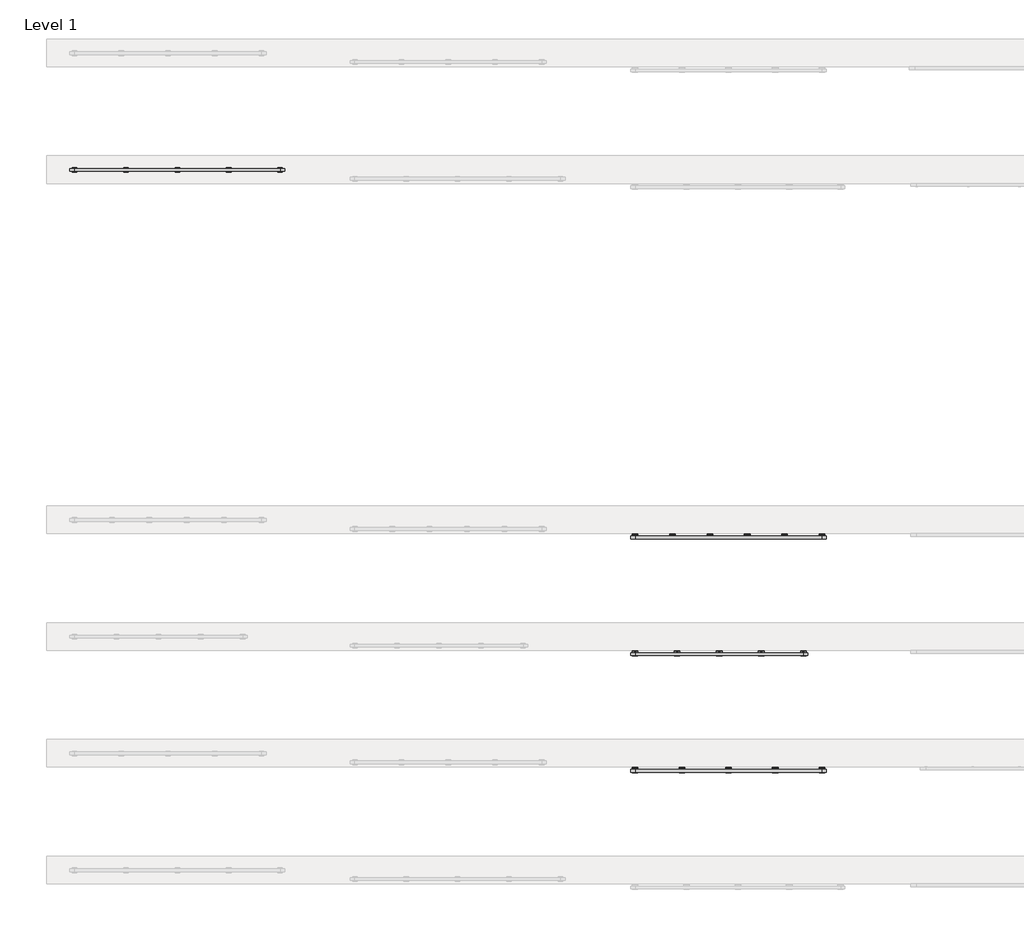
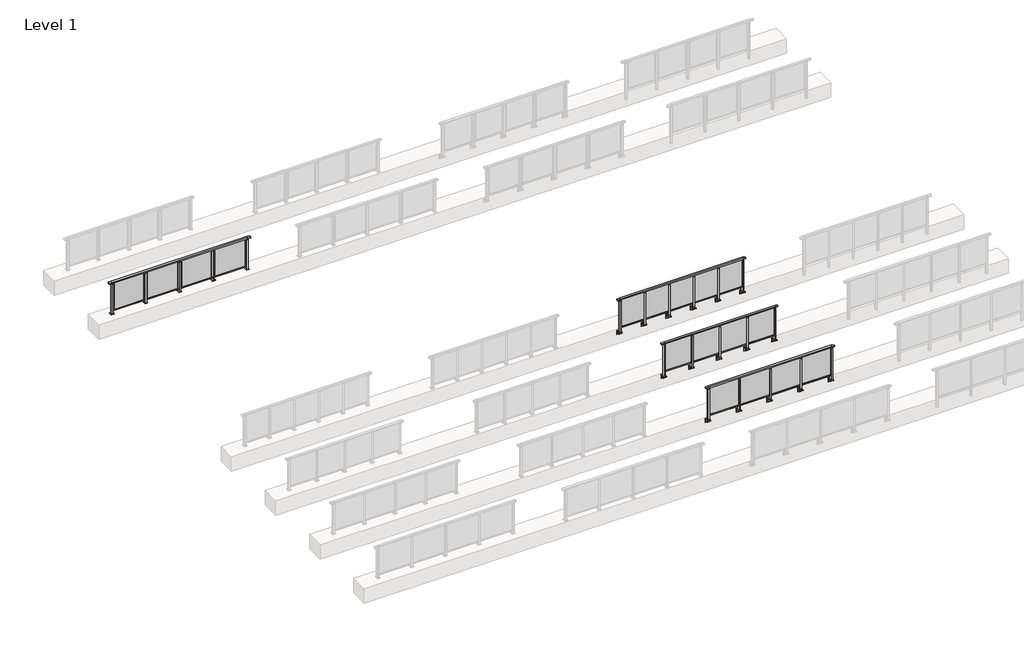
# One storey, part 25 of 37: 4 railings.
"""IFC4 building model written with IfcOpenShell, lengths in millimetres."""

from ifc_helpers import new_model, si_unit, point, frame, frame_2d, origin, origin_with_axes, place, context, project, spatial, polyline, circle_curve, trimmed, segment, composite_curve, outline, extrude, faceted_brep, element, save

model = new_model("IFC4")

# Units and contexts
model_context = context("Model", 3, world=origin())
ifc_project = project(units=[si_unit("LENGTHUNIT", "METRE", prefix="MILLI")], contexts=[model_context])

# Site, building, storey
site = spatial("IfcSite", under=ifc_project)
building = spatial("IfcBuilding", under=site)
storey = spatial("IfcBuildingStorey", under=building, Name="Level 1", Elevation=0.0)

# Railings
placement = place(None, origin())
element("IfcRailing", 1, at=placement, inside=storey, context=model_context, shape_type="SolidModel", body=[
    faceted_brep([(41910.0, 32347.6846828, 1100.0), (41910.0, 32347.6846828, 1055.0), (41910.0, 32287.6846828, 1055.0), (41910.0, 32287.6846828, 1100.0), (42000.0, 32347.6846828, 1100.0), (42000.0, 32347.6846828, 1055.0), (42000.0, 32287.6846828, 1055.0), (42000.0, 32287.6846828, 1100.0), (46000.0, 32347.6846828, 1100.0), (46000.0, 32347.6846828, 1055.0), (46000.0, 32287.6846828, 1055.0), (46000.0, 32287.6846828, 1100.0), (46090.0, 32347.6846828, 1100.0), (46090.0, 32287.6846828, 1100.0), (46090.0, 32287.6846828, 1055.0), (46090.0, 32347.6846828, 1055.0)], [[[0, 1, 2, 3]], [[1, 0, 4, 5]], [[2, 1, 5, 6]], [[3, 2, 6, 7]], [[0, 3, 7, 4]], [[5, 4, 8, 9]], [[6, 5, 9, 10]], [[7, 6, 10, 11]], [[4, 7, 11, 8]], [[12, 13, 14, 15]], [[9, 8, 12, 15]], [[10, 9, 15, 14]], [[11, 10, 14, 13]], [[8, 11, 13, 12]]]),
    extrude(outline(polyline([(42000.0, 32300.1846828), (42000.0, 32335.1846828), (46000.0, 32335.1846828), (46000.0, 32300.1846828), (42000.0, 32300.1846828)])), frame((0.0, 0.0, 95.0), z_axis=(0.0, 0.0, 1.0), x_axis=(1.0, 0.0, 0.0)), (0.0, 0.0, 1.0), 30.0),
    extrude(outline(polyline([(45010.0, 32311.9094929), (45010.0, 32321.9094929), (45990.0, 32321.9094929), (45990.0, 32311.9094929), (45010.0, 32311.9094929)])), frame((0.0, 0.0, 125.0), z_axis=(0.0, 0.0, 1.0), x_axis=(1.0, 0.0, 0.0)), (0.0, 0.0, 1.0), 930.0),
    extrude(outline(composite_curve([segment(polyline([(32350.1846828, -70.0), (32384.1846828, -63.0), (32384.1846828, -32.5), (32400.1846828, -32.5), (32400.1846828, -167.5), (32384.1846828, -167.5), (32384.1846828, -113.5)]), True, "CONTINUOUS"), segment(trimmed(circle_curve(frame_2d((32364.1846828, -113.5)), 20.0), [point((32384.1846828, -113.5))], [point((32364.1846828, -93.5))], True, "CARTESIAN"), True, "CONTINUOUS"), segment(polyline([(32364.1846828, -93.5), (32280.1846828, -93.5), (32280.1846828, -70.0), (32350.1846828, -70.0)]), True, "CONTINUOUS")], self_intersect=False)), frame((44940.0, 0.0, 0.0), z_axis=(1.0, 0.0, 0.0), x_axis=(0.0, 1.0, 0.0)), (0.0, 0.0, 1.0), 120.0),
    extrude(outline(polyline([(45022.5, 32350.1846828), (45022.5, 32285.1846828), (44977.5, 32285.1846828), (44977.5, 32350.1846828), (45022.5, 32350.1846828)])), frame((0.0, 0.0, -70.0), z_axis=(0.0, 0.0, 1.0), x_axis=(1.0, 0.0, 0.0)), (0.0, 0.0, 1.0), 1097.0),
    extrude(outline(polyline([(45010.0, 32327.6846828), (45010.0, 32307.6846828), (44990.0, 32307.6846828), (44990.0, 32327.6846828), (45010.0, 32327.6846828)])), frame((0.0, 0.0, 1035.0), z_axis=(0.0, 0.0, 1.0), x_axis=(1.0, 0.0, 0.0)), (0.0, 0.0, 1.0), 20.0),
    extrude(outline(polyline([(45022.5, 32350.1846828), (45022.5, 32285.1846828), (44977.5, 32285.1846828), (44977.5, 32350.1846828), (45022.5, 32350.1846828)])), frame((0.0, 0.0, 1027.0), z_axis=(0.0, 0.0, 1.0), x_axis=(1.0, 0.0, 0.0)), (0.0, 0.0, 1.0), 8.0),
    extrude(outline(polyline([(44010.0, 32311.9094929), (44010.0, 32321.9094929), (44990.0, 32321.9094929), (44990.0, 32311.9094929), (44010.0, 32311.9094929)])), frame((0.0, 0.0, 125.0), z_axis=(0.0, 0.0, 1.0), x_axis=(1.0, 0.0, 0.0)), (0.0, 0.0, 1.0), 930.0),
    extrude(outline(composite_curve([segment(polyline([(32350.1846828, -70.0), (32384.1846828, -63.0), (32384.1846828, -32.5), (32400.1846828, -32.5), (32400.1846828, -167.5), (32384.1846828, -167.5), (32384.1846828, -113.5)]), True, "CONTINUOUS"), segment(trimmed(circle_curve(frame_2d((32364.1846828, -113.5)), 20.0), [point((32384.1846828, -113.5))], [point((32364.1846828, -93.5))], True, "CARTESIAN"), True, "CONTINUOUS"), segment(polyline([(32364.1846828, -93.5), (32280.1846828, -93.5), (32280.1846828, -70.0), (32350.1846828, -70.0)]), True, "CONTINUOUS")], self_intersect=False)), frame((43940.0, 0.0, 0.0), z_axis=(1.0, 0.0, 0.0), x_axis=(0.0, 1.0, 0.0)), (0.0, 0.0, 1.0), 120.0),
    extrude(outline(polyline([(44022.5, 32350.1846828), (44022.5, 32285.1846828), (43977.5, 32285.1846828), (43977.5, 32350.1846828), (44022.5, 32350.1846828)])), frame((0.0, 0.0, -70.0), z_axis=(0.0, 0.0, 1.0), x_axis=(1.0, 0.0, 0.0)), (0.0, 0.0, 1.0), 1097.0),
    extrude(outline(polyline([(44010.0, 32327.6846828), (44010.0, 32307.6846828), (43990.0, 32307.6846828), (43990.0, 32327.6846828), (44010.0, 32327.6846828)])), frame((0.0, 0.0, 1035.0), z_axis=(0.0, 0.0, 1.0), x_axis=(1.0, 0.0, 0.0)), (0.0, 0.0, 1.0), 20.0),
    extrude(outline(polyline([(44022.5, 32350.1846828), (44022.5, 32285.1846828), (43977.5, 32285.1846828), (43977.5, 32350.1846828), (44022.5, 32350.1846828)])), frame((0.0, 0.0, 1027.0), z_axis=(0.0, 0.0, 1.0), x_axis=(1.0, 0.0, 0.0)), (0.0, 0.0, 1.0), 8.0),
    extrude(outline(polyline([(43010.0, 32311.9094929), (43010.0, 32321.9094929), (43990.0, 32321.9094929), (43990.0, 32311.9094929), (43010.0, 32311.9094929)])), frame((0.0, 0.0, 125.0), z_axis=(0.0, 0.0, 1.0), x_axis=(1.0, 0.0, 0.0)), (0.0, 0.0, 1.0), 930.0),
    extrude(outline(composite_curve([segment(polyline([(32350.1846828, -70.0), (32384.1846828, -63.0), (32384.1846828, -32.5), (32400.1846828, -32.5), (32400.1846828, -167.5), (32384.1846828, -167.5), (32384.1846828, -113.5)]), True, "CONTINUOUS"), segment(trimmed(circle_curve(frame_2d((32364.1846828, -113.5)), 20.0), [point((32384.1846828, -113.5))], [point((32364.1846828, -93.5))], True, "CARTESIAN"), True, "CONTINUOUS"), segment(polyline([(32364.1846828, -93.5), (32280.1846828, -93.5), (32280.1846828, -70.0), (32350.1846828, -70.0)]), True, "CONTINUOUS")], self_intersect=False)), frame((42940.0, 0.0, 0.0), z_axis=(1.0, 0.0, 0.0), x_axis=(0.0, 1.0, 0.0)), (0.0, 0.0, 1.0), 120.0),
    extrude(outline(polyline([(43022.5, 32350.1846828), (43022.5, 32285.1846828), (42977.5, 32285.1846828), (42977.5, 32350.1846828), (43022.5, 32350.1846828)])), frame((0.0, 0.0, -70.0), z_axis=(0.0, 0.0, 1.0), x_axis=(1.0, 0.0, 0.0)), (0.0, 0.0, 1.0), 1097.0),
    extrude(outline(polyline([(43010.0, 32327.6846828), (43010.0, 32307.6846828), (42990.0, 32307.6846828), (42990.0, 32327.6846828), (43010.0, 32327.6846828)])), frame((0.0, 0.0, 1035.0), z_axis=(0.0, 0.0, 1.0), x_axis=(1.0, 0.0, 0.0)), (0.0, 0.0, 1.0), 20.0),
    extrude(outline(polyline([(43022.5, 32350.1846828), (43022.5, 32285.1846828), (42977.5, 32285.1846828), (42977.5, 32350.1846828), (43022.5, 32350.1846828)])), frame((0.0, 0.0, 1027.0), z_axis=(0.0, 0.0, 1.0), x_axis=(1.0, 0.0, 0.0)), (0.0, 0.0, 1.0), 8.0),
    extrude(outline(polyline([(42010.0, 32311.9094929), (42010.0, 32321.9094929), (42990.0, 32321.9094929), (42990.0, 32311.9094929), (42010.0, 32311.9094929)])), frame((0.0, 0.0, 125.0), z_axis=(0.0, 0.0, 1.0), x_axis=(1.0, 0.0, 0.0)), (0.0, 0.0, 1.0), 930.0),
    extrude(outline(composite_curve([segment(polyline([(32350.1846828, -70.0), (32384.1846828, -63.0), (32384.1846828, -32.5), (32400.1846828, -32.5), (32400.1846828, -167.5), (32384.1846828, -167.5), (32384.1846828, -113.5)]), True, "CONTINUOUS"), segment(trimmed(circle_curve(frame_2d((32364.1846828, -113.5)), 20.0), [point((32384.1846828, -113.5))], [point((32364.1846828, -93.5))], True, "CARTESIAN"), True, "CONTINUOUS"), segment(polyline([(32364.1846828, -93.5), (32280.1846828, -93.5), (32280.1846828, -70.0), (32350.1846828, -70.0)]), True, "CONTINUOUS")], self_intersect=False)), frame((45940.0, 0.0, 0.0), z_axis=(1.0, 0.0, 0.0), x_axis=(0.0, 1.0, 0.0)), (0.0, 0.0, 1.0), 120.0),
    extrude(outline(polyline([(46022.5, 32350.1846828), (46022.5, 32285.1846828), (45977.5, 32285.1846828), (45977.5, 32350.1846828), (46022.5, 32350.1846828)])), frame((0.0, 0.0, -70.0), z_axis=(0.0, 0.0, 1.0), x_axis=(1.0, 0.0, 0.0)), (0.0, 0.0, 1.0), 1097.0),
    extrude(outline(polyline([(46010.0, 32327.6846828), (46010.0, 32307.6846828), (45990.0, 32307.6846828), (45990.0, 32327.6846828), (46010.0, 32327.6846828)])), frame((0.0, 0.0, 1035.0), z_axis=(0.0, 0.0, 1.0), x_axis=(1.0, 0.0, 0.0)), (0.0, 0.0, 1.0), 20.0),
    extrude(outline(polyline([(46022.5, 32350.1846828), (46022.5, 32285.1846828), (45977.5, 32285.1846828), (45977.5, 32350.1846828), (46022.5, 32350.1846828)])), frame((0.0, 0.0, 1027.0), z_axis=(0.0, 0.0, 1.0), x_axis=(1.0, 0.0, 0.0)), (0.0, 0.0, 1.0), 8.0),
    extrude(outline(composite_curve([segment(polyline([(32350.1846828, -70.0), (32384.1846828, -63.0), (32384.1846828, -32.5), (32400.1846828, -32.5), (32400.1846828, -167.5), (32384.1846828, -167.5), (32384.1846828, -113.5)]), True, "CONTINUOUS"), segment(trimmed(circle_curve(frame_2d((32364.1846828, -113.5)), 20.0), [point((32384.1846828, -113.5))], [point((32364.1846828, -93.5))], True, "CARTESIAN"), True, "CONTINUOUS"), segment(polyline([(32364.1846828, -93.5), (32280.1846828, -93.5), (32280.1846828, -70.0), (32350.1846828, -70.0)]), True, "CONTINUOUS")], self_intersect=False)), frame((41940.0, 0.0, 0.0), z_axis=(1.0, 0.0, 0.0), x_axis=(0.0, 1.0, 0.0)), (0.0, 0.0, 1.0), 120.0),
    extrude(outline(polyline([(42022.5, 32350.1846828), (42022.5, 32285.1846828), (41977.5, 32285.1846828), (41977.5, 32350.1846828), (42022.5, 32350.1846828)])), frame((0.0, 0.0, -70.0), z_axis=(0.0, 0.0, 1.0), x_axis=(1.0, 0.0, 0.0)), (0.0, 0.0, 1.0), 1097.0),
    extrude(outline(polyline([(42010.0, 32327.6846828), (42010.0, 32307.6846828), (41990.0, 32307.6846828), (41990.0, 32327.6846828), (42010.0, 32327.6846828)])), frame((0.0, 0.0, 1035.0), z_axis=(0.0, 0.0, 1.0), x_axis=(1.0, 0.0, 0.0)), (0.0, 0.0, 1.0), 20.0),
    extrude(outline(polyline([(42022.5, 32350.1846828), (42022.5, 32285.1846828), (41977.5, 32285.1846828), (41977.5, 32350.1846828), (42022.5, 32350.1846828)])), frame((0.0, 0.0, 1027.0), z_axis=(0.0, 0.0, 1.0), x_axis=(1.0, 0.0, 0.0)), (0.0, 0.0, 1.0), 8.0),
])
element("IfcRailing", 2, at=placement, inside=storey, context=model_context, shape_type="SolidModel", body=[
    faceted_brep([(41910.0, 34847.6846828, 1100.0), (41910.0, 34847.6846828, 1055.0), (41910.0, 34787.6846828, 1055.0), (41910.0, 34787.6846828, 1100.0), (42000.0, 34847.6846828, 1100.0), (42000.0, 34847.6846828, 1055.0), (42000.0, 34787.6846828, 1055.0), (42000.0, 34787.6846828, 1100.0), (45600.0, 34847.6846828, 1100.0), (45600.0, 34847.6846828, 1055.0), (45600.0, 34787.6846828, 1055.0), (45600.0, 34787.6846828, 1100.0), (45690.0, 34847.6846828, 1100.0), (45690.0, 34787.6846828, 1100.0), (45690.0, 34787.6846828, 1055.0), (45690.0, 34847.6846828, 1055.0)], [[[0, 1, 2, 3]], [[1, 0, 4, 5]], [[2, 1, 5, 6]], [[3, 2, 6, 7]], [[0, 3, 7, 4]], [[5, 4, 8, 9]], [[6, 5, 9, 10]], [[7, 6, 10, 11]], [[4, 7, 11, 8]], [[12, 13, 14, 15]], [[9, 8, 12, 15]], [[10, 9, 15, 14]], [[11, 10, 14, 13]], [[8, 11, 13, 12]]]),
    extrude(outline(polyline([(42000.0, 34800.1846828), (42000.0, 34835.1846828), (45600.0, 34835.1846828), (45600.0, 34800.1846828), (42000.0, 34800.1846828)])), frame((0.0, 0.0, 95.0), z_axis=(0.0, 0.0, 1.0), x_axis=(1.0, 0.0, 0.0)), (0.0, 0.0, 1.0), 30.0),
    extrude(outline(polyline([(44710.0, 34811.9094929), (44710.0, 34821.9094929), (45590.0, 34821.9094929), (45590.0, 34811.9094929), (44710.0, 34811.9094929)])), frame((0.0, 0.0, 125.0), z_axis=(0.0, 0.0, 1.0), x_axis=(1.0, 0.0, 0.0)), (0.0, 0.0, 1.0), 930.0),
    extrude(outline(composite_curve([segment(polyline([(34850.1846828, -70.0), (34884.1846828, -63.0), (34884.1846828, -32.5), (34900.1846828, -32.5), (34900.1846828, -167.5), (34884.1846828, -167.5), (34884.1846828, -113.5)]), True, "CONTINUOUS"), segment(trimmed(circle_curve(frame_2d((34864.1846828, -113.5)), 20.0), [point((34884.1846828, -113.5))], [point((34864.1846828, -93.5))], True, "CARTESIAN"), True, "CONTINUOUS"), segment(polyline([(34864.1846828, -93.5), (34780.1846828, -93.5), (34780.1846828, -70.0), (34850.1846828, -70.0)]), True, "CONTINUOUS")], self_intersect=False)), frame((44640.0, 0.0, 0.0), z_axis=(1.0, 0.0, 0.0), x_axis=(0.0, 1.0, 0.0)), (0.0, 0.0, 1.0), 120.0),
    extrude(outline(polyline([(44722.5, 34850.1846828), (44722.5, 34785.1846828), (44677.5, 34785.1846828), (44677.5, 34850.1846828), (44722.5, 34850.1846828)])), frame((0.0, 0.0, -70.0), z_axis=(0.0, 0.0, 1.0), x_axis=(1.0, 0.0, 0.0)), (0.0, 0.0, 1.0), 1097.0),
    extrude(outline(polyline([(44710.0, 34827.6846828), (44710.0, 34807.6846828), (44690.0, 34807.6846828), (44690.0, 34827.6846828), (44710.0, 34827.6846828)])), frame((0.0, 0.0, 1035.0), z_axis=(0.0, 0.0, 1.0), x_axis=(1.0, 0.0, 0.0)), (0.0, 0.0, 1.0), 20.0),
    extrude(outline(polyline([(44722.5, 34850.1846828), (44722.5, 34785.1846828), (44677.5, 34785.1846828), (44677.5, 34850.1846828), (44722.5, 34850.1846828)])), frame((0.0, 0.0, 1027.0), z_axis=(0.0, 0.0, 1.0), x_axis=(1.0, 0.0, 0.0)), (0.0, 0.0, 1.0), 8.0),
    extrude(outline(polyline([(43810.0, 34811.9094929), (43810.0, 34821.9094929), (44690.0, 34821.9094929), (44690.0, 34811.9094929), (43810.0, 34811.9094929)])), frame((0.0, 0.0, 125.0), z_axis=(0.0, 0.0, 1.0), x_axis=(1.0, 0.0, 0.0)), (0.0, 0.0, 1.0), 930.0),
    extrude(outline(composite_curve([segment(polyline([(34850.1846828, -70.0), (34884.1846828, -63.0), (34884.1846828, -32.5), (34900.1846828, -32.5), (34900.1846828, -167.5), (34884.1846828, -167.5), (34884.1846828, -113.5)]), True, "CONTINUOUS"), segment(trimmed(circle_curve(frame_2d((34864.1846828, -113.5)), 20.0), [point((34884.1846828, -113.5))], [point((34864.1846828, -93.5))], True, "CARTESIAN"), True, "CONTINUOUS"), segment(polyline([(34864.1846828, -93.5), (34780.1846828, -93.5), (34780.1846828, -70.0), (34850.1846828, -70.0)]), True, "CONTINUOUS")], self_intersect=False)), frame((43740.0, 0.0, 0.0), z_axis=(1.0, 0.0, 0.0), x_axis=(0.0, 1.0, 0.0)), (0.0, 0.0, 1.0), 120.0),
    extrude(outline(polyline([(43822.5, 34850.1846828), (43822.5, 34785.1846828), (43777.5, 34785.1846828), (43777.5, 34850.1846828), (43822.5, 34850.1846828)])), frame((0.0, 0.0, -70.0), z_axis=(0.0, 0.0, 1.0), x_axis=(1.0, 0.0, 0.0)), (0.0, 0.0, 1.0), 1097.0),
    extrude(outline(polyline([(43810.0, 34827.6846828), (43810.0, 34807.6846828), (43790.0, 34807.6846828), (43790.0, 34827.6846828), (43810.0, 34827.6846828)])), frame((0.0, 0.0, 1035.0), z_axis=(0.0, 0.0, 1.0), x_axis=(1.0, 0.0, 0.0)), (0.0, 0.0, 1.0), 20.0),
    extrude(outline(polyline([(43822.5, 34850.1846828), (43822.5, 34785.1846828), (43777.5, 34785.1846828), (43777.5, 34850.1846828), (43822.5, 34850.1846828)])), frame((0.0, 0.0, 1027.0), z_axis=(0.0, 0.0, 1.0), x_axis=(1.0, 0.0, 0.0)), (0.0, 0.0, 1.0), 8.0),
    extrude(outline(polyline([(42910.0, 34811.9094929), (42910.0, 34821.9094929), (43790.0, 34821.9094929), (43790.0, 34811.9094929), (42910.0, 34811.9094929)])), frame((0.0, 0.0, 125.0), z_axis=(0.0, 0.0, 1.0), x_axis=(1.0, 0.0, 0.0)), (0.0, 0.0, 1.0), 930.0),
    extrude(outline(composite_curve([segment(polyline([(34850.1846828, -70.0), (34884.1846828, -63.0), (34884.1846828, -32.5), (34900.1846828, -32.5), (34900.1846828, -167.5), (34884.1846828, -167.5), (34884.1846828, -113.5)]), True, "CONTINUOUS"), segment(trimmed(circle_curve(frame_2d((34864.1846828, -113.5)), 20.0), [point((34884.1846828, -113.5))], [point((34864.1846828, -93.5))], True, "CARTESIAN"), True, "CONTINUOUS"), segment(polyline([(34864.1846828, -93.5), (34780.1846828, -93.5), (34780.1846828, -70.0), (34850.1846828, -70.0)]), True, "CONTINUOUS")], self_intersect=False)), frame((42840.0, 0.0, 0.0), z_axis=(1.0, 0.0, 0.0), x_axis=(0.0, 1.0, 0.0)), (0.0, 0.0, 1.0), 120.0),
    extrude(outline(polyline([(42922.5, 34850.1846828), (42922.5, 34785.1846828), (42877.5, 34785.1846828), (42877.5, 34850.1846828), (42922.5, 34850.1846828)])), frame((0.0, 0.0, -70.0), z_axis=(0.0, 0.0, 1.0), x_axis=(1.0, 0.0, 0.0)), (0.0, 0.0, 1.0), 1097.0),
    extrude(outline(polyline([(42910.0, 34827.6846828), (42910.0, 34807.6846828), (42890.0, 34807.6846828), (42890.0, 34827.6846828), (42910.0, 34827.6846828)])), frame((0.0, 0.0, 1035.0), z_axis=(0.0, 0.0, 1.0), x_axis=(1.0, 0.0, 0.0)), (0.0, 0.0, 1.0), 20.0),
    extrude(outline(polyline([(42922.5, 34850.1846828), (42922.5, 34785.1846828), (42877.5, 34785.1846828), (42877.5, 34850.1846828), (42922.5, 34850.1846828)])), frame((0.0, 0.0, 1027.0), z_axis=(0.0, 0.0, 1.0), x_axis=(1.0, 0.0, 0.0)), (0.0, 0.0, 1.0), 8.0),
    extrude(outline(polyline([(42010.0, 34811.9094929), (42010.0, 34821.9094929), (42890.0, 34821.9094929), (42890.0, 34811.9094929), (42010.0, 34811.9094929)])), frame((0.0, 0.0, 125.0), z_axis=(0.0, 0.0, 1.0), x_axis=(1.0, 0.0, 0.0)), (0.0, 0.0, 1.0), 930.0),
    extrude(outline(composite_curve([segment(polyline([(34850.1846828, -70.0), (34884.1846828, -63.0), (34884.1846828, -32.5), (34900.1846828, -32.5), (34900.1846828, -167.5), (34884.1846828, -167.5), (34884.1846828, -113.5)]), True, "CONTINUOUS"), segment(trimmed(circle_curve(frame_2d((34864.1846828, -113.5)), 20.0), [point((34884.1846828, -113.5))], [point((34864.1846828, -93.5))], True, "CARTESIAN"), True, "CONTINUOUS"), segment(polyline([(34864.1846828, -93.5), (34780.1846828, -93.5), (34780.1846828, -70.0), (34850.1846828, -70.0)]), True, "CONTINUOUS")], self_intersect=False)), frame((45540.0, 0.0, 0.0), z_axis=(1.0, 0.0, 0.0), x_axis=(0.0, 1.0, 0.0)), (0.0, 0.0, 1.0), 120.0),
    extrude(outline(polyline([(45622.5, 34850.1846828), (45622.5, 34785.1846828), (45577.5, 34785.1846828), (45577.5, 34850.1846828), (45622.5, 34850.1846828)])), frame((0.0, 0.0, -70.0), z_axis=(0.0, 0.0, 1.0), x_axis=(1.0, 0.0, 0.0)), (0.0, 0.0, 1.0), 1097.0),
    extrude(outline(polyline([(45610.0, 34827.6846828), (45610.0, 34807.6846828), (45590.0, 34807.6846828), (45590.0, 34827.6846828), (45610.0, 34827.6846828)])), frame((0.0, 0.0, 1035.0), z_axis=(0.0, 0.0, 1.0), x_axis=(1.0, 0.0, 0.0)), (0.0, 0.0, 1.0), 20.0),
    extrude(outline(polyline([(45622.5, 34850.1846828), (45622.5, 34785.1846828), (45577.5, 34785.1846828), (45577.5, 34850.1846828), (45622.5, 34850.1846828)])), frame((0.0, 0.0, 1027.0), z_axis=(0.0, 0.0, 1.0), x_axis=(1.0, 0.0, 0.0)), (0.0, 0.0, 1.0), 8.0),
    extrude(outline(composite_curve([segment(polyline([(34850.1846828, -70.0), (34884.1846828, -63.0), (34884.1846828, -32.5), (34900.1846828, -32.5), (34900.1846828, -167.5), (34884.1846828, -167.5), (34884.1846828, -113.5)]), True, "CONTINUOUS"), segment(trimmed(circle_curve(frame_2d((34864.1846828, -113.5)), 20.0), [point((34884.1846828, -113.5))], [point((34864.1846828, -93.5))], True, "CARTESIAN"), True, "CONTINUOUS"), segment(polyline([(34864.1846828, -93.5), (34780.1846828, -93.5), (34780.1846828, -70.0), (34850.1846828, -70.0)]), True, "CONTINUOUS")], self_intersect=False)), frame((41940.0, 0.0, 0.0), z_axis=(1.0, 0.0, 0.0), x_axis=(0.0, 1.0, 0.0)), (0.0, 0.0, 1.0), 120.0),
    extrude(outline(polyline([(42022.5, 34850.1846828), (42022.5, 34785.1846828), (41977.5, 34785.1846828), (41977.5, 34850.1846828), (42022.5, 34850.1846828)])), frame((0.0, 0.0, -70.0), z_axis=(0.0, 0.0, 1.0), x_axis=(1.0, 0.0, 0.0)), (0.0, 0.0, 1.0), 1097.0),
    extrude(outline(polyline([(42010.0, 34827.6846828), (42010.0, 34807.6846828), (41990.0, 34807.6846828), (41990.0, 34827.6846828), (42010.0, 34827.6846828)])), frame((0.0, 0.0, 1035.0), z_axis=(0.0, 0.0, 1.0), x_axis=(1.0, 0.0, 0.0)), (0.0, 0.0, 1.0), 20.0),
    extrude(outline(polyline([(42022.5, 34850.1846828), (42022.5, 34785.1846828), (41977.5, 34785.1846828), (41977.5, 34850.1846828), (42022.5, 34850.1846828)])), frame((0.0, 0.0, 1027.0), z_axis=(0.0, 0.0, 1.0), x_axis=(1.0, 0.0, 0.0)), (0.0, 0.0, 1.0), 8.0),
])
element("IfcRailing", 3, at=placement, inside=storey, context=model_context, shape_type="SolidModel", body=[
    faceted_brep([(41910.0, 37347.6846828, 1100.0), (41910.0, 37347.6846828, 1055.0), (41910.0, 37287.6846828, 1055.0), (41910.0, 37287.6846828, 1100.0), (42000.0, 37347.6846828, 1100.0), (42000.0, 37347.6846828, 1055.0), (42000.0, 37287.6846828, 1055.0), (42000.0, 37287.6846828, 1100.0), (46000.0, 37347.6846828, 1100.0), (46000.0, 37347.6846828, 1055.0), (46000.0, 37287.6846828, 1055.0), (46000.0, 37287.6846828, 1100.0), (46090.0, 37347.6846828, 1100.0), (46090.0, 37287.6846828, 1100.0), (46090.0, 37287.6846828, 1055.0), (46090.0, 37347.6846828, 1055.0)], [[[0, 1, 2, 3]], [[1, 0, 4, 5]], [[2, 1, 5, 6]], [[3, 2, 6, 7]], [[0, 3, 7, 4]], [[5, 4, 8, 9]], [[6, 5, 9, 10]], [[7, 6, 10, 11]], [[4, 7, 11, 8]], [[12, 13, 14, 15]], [[9, 8, 12, 15]], [[10, 9, 15, 14]], [[11, 10, 14, 13]], [[8, 11, 13, 12]]]),
    extrude(outline(polyline([(42000.0, 37300.1846828), (42000.0, 37335.1846828), (46000.0, 37335.1846828), (46000.0, 37300.1846828), (42000.0, 37300.1846828)])), frame((0.0, 0.0, 95.0), z_axis=(0.0, 0.0, 1.0), x_axis=(1.0, 0.0, 0.0)), (0.0, 0.0, 1.0), 30.0),
    extrude(outline(polyline([(45210.0, 37311.9094929), (45210.0, 37321.9094929), (45990.0, 37321.9094929), (45990.0, 37311.9094929), (45210.0, 37311.9094929)])), frame((0.0, 0.0, 125.0), z_axis=(0.0, 0.0, 1.0), x_axis=(1.0, 0.0, 0.0)), (0.0, 0.0, 1.0), 930.0),
    extrude(outline(composite_curve([segment(polyline([(37350.1846828, -70.0), (37384.1846828, -63.0), (37384.1846828, -32.5), (37400.1846828, -32.5), (37400.1846828, -167.5), (37384.1846828, -167.5), (37384.1846828, -113.5)]), True, "CONTINUOUS"), segment(trimmed(circle_curve(frame_2d((37364.1846828, -113.5)), 20.0), [point((37384.1846828, -113.5))], [point((37364.1846828, -93.5))], True, "CARTESIAN"), True, "CONTINUOUS"), segment(polyline([(37364.1846828, -93.5), (37280.1846828, -93.5), (37280.1846828, -70.0), (37350.1846828, -70.0)]), True, "CONTINUOUS")], self_intersect=False)), frame((45140.0, 0.0, 0.0), z_axis=(1.0, 0.0, 0.0), x_axis=(0.0, 1.0, 0.0)), (0.0, 0.0, 1.0), 120.0),
    extrude(outline(polyline([(45222.5, 37350.1846828), (45222.5, 37285.1846828), (45177.5, 37285.1846828), (45177.5, 37350.1846828), (45222.5, 37350.1846828)])), frame((0.0, 0.0, -70.0), z_axis=(0.0, 0.0, 1.0), x_axis=(1.0, 0.0, 0.0)), (0.0, 0.0, 1.0), 1097.0),
    extrude(outline(polyline([(45210.0, 37327.6846828), (45210.0, 37307.6846828), (45190.0, 37307.6846828), (45190.0, 37327.6846828), (45210.0, 37327.6846828)])), frame((0.0, 0.0, 1035.0), z_axis=(0.0, 0.0, 1.0), x_axis=(1.0, 0.0, 0.0)), (0.0, 0.0, 1.0), 20.0),
    extrude(outline(polyline([(45222.5, 37350.1846828), (45222.5, 37285.1846828), (45177.5, 37285.1846828), (45177.5, 37350.1846828), (45222.5, 37350.1846828)])), frame((0.0, 0.0, 1027.0), z_axis=(0.0, 0.0, 1.0), x_axis=(1.0, 0.0, 0.0)), (0.0, 0.0, 1.0), 8.0),
    extrude(outline(polyline([(44410.0, 37311.9094929), (44410.0, 37321.9094929), (45190.0, 37321.9094929), (45190.0, 37311.9094929), (44410.0, 37311.9094929)])), frame((0.0, 0.0, 125.0), z_axis=(0.0, 0.0, 1.0), x_axis=(1.0, 0.0, 0.0)), (0.0, 0.0, 1.0), 930.0),
    extrude(outline(composite_curve([segment(polyline([(37350.1846828, -70.0), (37384.1846828, -63.0), (37384.1846828, -32.5), (37400.1846828, -32.5), (37400.1846828, -167.5), (37384.1846828, -167.5), (37384.1846828, -113.5)]), True, "CONTINUOUS"), segment(trimmed(circle_curve(frame_2d((37364.1846828, -113.5)), 20.0), [point((37384.1846828, -113.5))], [point((37364.1846828, -93.5))], True, "CARTESIAN"), True, "CONTINUOUS"), segment(polyline([(37364.1846828, -93.5), (37280.1846828, -93.5), (37280.1846828, -70.0), (37350.1846828, -70.0)]), True, "CONTINUOUS")], self_intersect=False)), frame((44340.0, 0.0, 0.0), z_axis=(1.0, 0.0, 0.0), x_axis=(0.0, 1.0, 0.0)), (0.0, 0.0, 1.0), 120.0),
    extrude(outline(polyline([(44422.5, 37350.1846828), (44422.5, 37285.1846828), (44377.5, 37285.1846828), (44377.5, 37350.1846828), (44422.5, 37350.1846828)])), frame((0.0, 0.0, -70.0), z_axis=(0.0, 0.0, 1.0), x_axis=(1.0, 0.0, 0.0)), (0.0, 0.0, 1.0), 1097.0),
    extrude(outline(polyline([(44410.0, 37327.6846828), (44410.0, 37307.6846828), (44390.0, 37307.6846828), (44390.0, 37327.6846828), (44410.0, 37327.6846828)])), frame((0.0, 0.0, 1035.0), z_axis=(0.0, 0.0, 1.0), x_axis=(1.0, 0.0, 0.0)), (0.0, 0.0, 1.0), 20.0),
    extrude(outline(polyline([(44422.5, 37350.1846828), (44422.5, 37285.1846828), (44377.5, 37285.1846828), (44377.5, 37350.1846828), (44422.5, 37350.1846828)])), frame((0.0, 0.0, 1027.0), z_axis=(0.0, 0.0, 1.0), x_axis=(1.0, 0.0, 0.0)), (0.0, 0.0, 1.0), 8.0),
    extrude(outline(polyline([(43610.0, 37311.9094929), (43610.0, 37321.9094929), (44390.0, 37321.9094929), (44390.0, 37311.9094929), (43610.0, 37311.9094929)])), frame((0.0, 0.0, 125.0), z_axis=(0.0, 0.0, 1.0), x_axis=(1.0, 0.0, 0.0)), (0.0, 0.0, 1.0), 930.0),
    extrude(outline(composite_curve([segment(polyline([(37350.1846828, -70.0), (37384.1846828, -63.0), (37384.1846828, -32.5), (37400.1846828, -32.5), (37400.1846828, -167.5), (37384.1846828, -167.5), (37384.1846828, -113.5)]), True, "CONTINUOUS"), segment(trimmed(circle_curve(frame_2d((37364.1846828, -113.5)), 20.0), [point((37384.1846828, -113.5))], [point((37364.1846828, -93.5))], True, "CARTESIAN"), True, "CONTINUOUS"), segment(polyline([(37364.1846828, -93.5), (37280.1846828, -93.5), (37280.1846828, -70.0), (37350.1846828, -70.0)]), True, "CONTINUOUS")], self_intersect=False)), frame((43540.0, 0.0, 0.0), z_axis=(1.0, 0.0, 0.0), x_axis=(0.0, 1.0, 0.0)), (0.0, 0.0, 1.0), 120.0),
    extrude(outline(polyline([(43622.5, 37350.1846828), (43622.5, 37285.1846828), (43577.5, 37285.1846828), (43577.5, 37350.1846828), (43622.5, 37350.1846828)])), frame((0.0, 0.0, -70.0), z_axis=(0.0, 0.0, 1.0), x_axis=(1.0, 0.0, 0.0)), (0.0, 0.0, 1.0), 1097.0),
    extrude(outline(polyline([(43610.0, 37327.6846828), (43610.0, 37307.6846828), (43590.0, 37307.6846828), (43590.0, 37327.6846828), (43610.0, 37327.6846828)])), frame((0.0, 0.0, 1035.0), z_axis=(0.0, 0.0, 1.0), x_axis=(1.0, 0.0, 0.0)), (0.0, 0.0, 1.0), 20.0),
    extrude(outline(polyline([(43622.5, 37350.1846828), (43622.5, 37285.1846828), (43577.5, 37285.1846828), (43577.5, 37350.1846828), (43622.5, 37350.1846828)])), frame((0.0, 0.0, 1027.0), z_axis=(0.0, 0.0, 1.0), x_axis=(1.0, 0.0, 0.0)), (0.0, 0.0, 1.0), 8.0),
    extrude(outline(polyline([(42810.0, 37311.9094929), (42810.0, 37321.9094929), (43590.0, 37321.9094929), (43590.0, 37311.9094929), (42810.0, 37311.9094929)])), frame((0.0, 0.0, 125.0), z_axis=(0.0, 0.0, 1.0), x_axis=(1.0, 0.0, 0.0)), (0.0, 0.0, 1.0), 930.0),
    extrude(outline(composite_curve([segment(polyline([(37350.1846828, -70.0), (37384.1846828, -63.0), (37384.1846828, -32.5), (37400.1846828, -32.5), (37400.1846828, -167.5), (37384.1846828, -167.5), (37384.1846828, -113.5)]), True, "CONTINUOUS"), segment(trimmed(circle_curve(frame_2d((37364.1846828, -113.5)), 20.0), [point((37384.1846828, -113.5))], [point((37364.1846828, -93.5))], True, "CARTESIAN"), True, "CONTINUOUS"), segment(polyline([(37364.1846828, -93.5), (37280.1846828, -93.5), (37280.1846828, -70.0), (37350.1846828, -70.0)]), True, "CONTINUOUS")], self_intersect=False)), frame((42740.0, 0.0, 0.0), z_axis=(1.0, 0.0, 0.0), x_axis=(0.0, 1.0, 0.0)), (0.0, 0.0, 1.0), 120.0),
    extrude(outline(polyline([(42822.5, 37350.1846828), (42822.5, 37285.1846828), (42777.5, 37285.1846828), (42777.5, 37350.1846828), (42822.5, 37350.1846828)])), frame((0.0, 0.0, -70.0), z_axis=(0.0, 0.0, 1.0), x_axis=(1.0, 0.0, 0.0)), (0.0, 0.0, 1.0), 1097.0),
    extrude(outline(polyline([(42810.0, 37327.6846828), (42810.0, 37307.6846828), (42790.0, 37307.6846828), (42790.0, 37327.6846828), (42810.0, 37327.6846828)])), frame((0.0, 0.0, 1035.0), z_axis=(0.0, 0.0, 1.0), x_axis=(1.0, 0.0, 0.0)), (0.0, 0.0, 1.0), 20.0),
    extrude(outline(polyline([(42822.5, 37350.1846828), (42822.5, 37285.1846828), (42777.5, 37285.1846828), (42777.5, 37350.1846828), (42822.5, 37350.1846828)])), frame((0.0, 0.0, 1027.0), z_axis=(0.0, 0.0, 1.0), x_axis=(1.0, 0.0, 0.0)), (0.0, 0.0, 1.0), 8.0),
    extrude(outline(polyline([(42010.0, 37311.9094929), (42010.0, 37321.9094929), (42790.0, 37321.9094929), (42790.0, 37311.9094929), (42010.0, 37311.9094929)])), frame((0.0, 0.0, 125.0), z_axis=(0.0, 0.0, 1.0), x_axis=(1.0, 0.0, 0.0)), (0.0, 0.0, 1.0), 930.0),
    extrude(outline(composite_curve([segment(polyline([(37350.1846828, -70.0), (37384.1846828, -63.0), (37384.1846828, -32.5), (37400.1846828, -32.5), (37400.1846828, -167.5), (37384.1846828, -167.5), (37384.1846828, -113.5)]), True, "CONTINUOUS"), segment(trimmed(circle_curve(frame_2d((37364.1846828, -113.5)), 20.0), [point((37384.1846828, -113.5))], [point((37364.1846828, -93.5))], True, "CARTESIAN"), True, "CONTINUOUS"), segment(polyline([(37364.1846828, -93.5), (37280.1846828, -93.5), (37280.1846828, -70.0), (37350.1846828, -70.0)]), True, "CONTINUOUS")], self_intersect=False)), frame((45940.0, 0.0, 0.0), z_axis=(1.0, 0.0, 0.0), x_axis=(0.0, 1.0, 0.0)), (0.0, 0.0, 1.0), 120.0),
    extrude(outline(polyline([(46022.5, 37350.1846828), (46022.5, 37285.1846828), (45977.5, 37285.1846828), (45977.5, 37350.1846828), (46022.5, 37350.1846828)])), frame((0.0, 0.0, -70.0), z_axis=(0.0, 0.0, 1.0), x_axis=(1.0, 0.0, 0.0)), (0.0, 0.0, 1.0), 1097.0),
    extrude(outline(polyline([(46010.0, 37327.6846828), (46010.0, 37307.6846828), (45990.0, 37307.6846828), (45990.0, 37327.6846828), (46010.0, 37327.6846828)])), frame((0.0, 0.0, 1035.0), z_axis=(0.0, 0.0, 1.0), x_axis=(1.0, 0.0, 0.0)), (0.0, 0.0, 1.0), 20.0),
    extrude(outline(polyline([(46022.5, 37350.1846828), (46022.5, 37285.1846828), (45977.5, 37285.1846828), (45977.5, 37350.1846828), (46022.5, 37350.1846828)])), frame((0.0, 0.0, 1027.0), z_axis=(0.0, 0.0, 1.0), x_axis=(1.0, 0.0, 0.0)), (0.0, 0.0, 1.0), 8.0),
    extrude(outline(composite_curve([segment(polyline([(37350.1846828, -70.0), (37384.1846828, -63.0), (37384.1846828, -32.5), (37400.1846828, -32.5), (37400.1846828, -167.5), (37384.1846828, -167.5), (37384.1846828, -113.5)]), True, "CONTINUOUS"), segment(trimmed(circle_curve(frame_2d((37364.1846828, -113.5)), 20.0), [point((37384.1846828, -113.5))], [point((37364.1846828, -93.5))], True, "CARTESIAN"), True, "CONTINUOUS"), segment(polyline([(37364.1846828, -93.5), (37280.1846828, -93.5), (37280.1846828, -70.0), (37350.1846828, -70.0)]), True, "CONTINUOUS")], self_intersect=False)), frame((41940.0, 0.0, 0.0), z_axis=(1.0, 0.0, 0.0), x_axis=(0.0, 1.0, 0.0)), (0.0, 0.0, 1.0), 120.0),
    extrude(outline(polyline([(42022.5, 37350.1846828), (42022.5, 37285.1846828), (41977.5, 37285.1846828), (41977.5, 37350.1846828), (42022.5, 37350.1846828)])), frame((0.0, 0.0, -70.0), z_axis=(0.0, 0.0, 1.0), x_axis=(1.0, 0.0, 0.0)), (0.0, 0.0, 1.0), 1097.0),
    extrude(outline(polyline([(42010.0, 37327.6846828), (42010.0, 37307.6846828), (41990.0, 37307.6846828), (41990.0, 37327.6846828), (42010.0, 37327.6846828)])), frame((0.0, 0.0, 1035.0), z_axis=(0.0, 0.0, 1.0), x_axis=(1.0, 0.0, 0.0)), (0.0, 0.0, 1.0), 20.0),
    extrude(outline(polyline([(42022.5, 37350.1846828), (42022.5, 37285.1846828), (41977.5, 37285.1846828), (41977.5, 37350.1846828), (42022.5, 37350.1846828)])), frame((0.0, 0.0, 1027.0), z_axis=(0.0, 0.0, 1.0), x_axis=(1.0, 0.0, 0.0)), (0.0, 0.0, 1.0), 8.0),
])
element("IfcRailing", 4, at=placement, inside=storey, context=model_context, shape_type="SolidModel", body=[
    faceted_brep([(30000.0, 45220.1846828, 1055.0), (30000.0, 45220.1846828, 1100.0), (34400.0, 45220.1846828, 1100.0), (34400.0, 45220.1846828, 1055.0), (30000.0, 45160.1846828, 1055.0), (34400.0, 45160.1846828, 1055.0), (30000.0, 45160.1846828, 1100.0), (34400.0, 45160.1846828, 1100.0), (29900.0, 45220.1846828, 1100.0), (29900.0, 45220.1846828, 1055.0), (29900.0, 45160.1846828, 1055.0), (29900.0, 45160.1846828, 1100.0), (34500.0, 45220.1846828, 1100.0), (34500.0, 45160.1846828, 1100.0), (34500.0, 45160.1846828, 1055.0), (34500.0, 45220.1846828, 1055.0)], [[[0, 1, 2, 3]], [[4, 0, 3, 5]], [[6, 4, 5, 7]], [[1, 6, 7, 2]], [[8, 9, 10, 11]], [[9, 8, 1, 0]], [[10, 9, 0, 4]], [[11, 10, 4, 6]], [[8, 11, 6, 1]], [[12, 13, 14, 15]], [[3, 2, 12, 15]], [[5, 3, 15, 14]], [[7, 5, 14, 13]], [[2, 7, 13, 12]]]),
    extrude(outline(polyline([(30000.0, 45172.6846828), (30000.0, 45207.6846828), (34400.0, 45207.6846828), (34400.0, 45172.6846828), (30000.0, 45172.6846828)])), frame((0.0, 0.0, 95.0), z_axis=(0.0, 0.0, 1.0), x_axis=(1.0, 0.0, 0.0)), (0.0, 0.0, 1.0), 30.0),
    extrude(outline(polyline([(33372.5, 45191.9598727), (34327.5, 45191.9598727), (34327.5, 45185.9598727), (33372.5, 45185.9598727), (33372.5, 45191.9598727)])), frame((0.0, 0.0, 125.0), z_axis=(0.0, 0.0, 1.0), x_axis=(1.0, 0.0, 0.0)), (0.0, 0.0, 1.0), 930.0),
    extrude(outline(polyline([(33310.0, 45180.1846828), (33290.0, 45180.1846828), (33290.0, 45200.1846828), (33310.0, 45200.1846828), (33310.0, 45180.1846828)])), frame((0.0, 0.0, 1035.0), z_axis=(0.0, 0.0, 1.0), x_axis=(1.0, 0.0, 0.0)), (0.0, 0.0, 1.0), 20.0),
    extrude(outline(polyline([(33322.5, 45157.6846828), (33277.5, 45157.6846828), (33277.5, 45222.6846828), (33322.5, 45222.6846828), (33322.5, 45157.6846828)])), frame((0.0, 0.0, 1027.0), z_axis=(0.0, 0.0, 1.0), x_axis=(1.0, 0.0, 0.0)), (0.0, 0.0, 1.0), 8.0),
    extrude(outline(polyline([(33350.0, 45140.1846828), (33250.0, 45140.1846828), (33250.0, 45240.1846828), (33350.0, 45240.1846828), (33350.0, 45140.1846828)])), origin_with_axes(), (0.0, 0.0, 1.0), 12.0),
    extrude(outline(polyline([(33322.5, 45157.6846828), (33277.5, 45157.6846828), (33277.5, 45222.6846828), (33322.5, 45222.6846828), (33322.5, 45157.6846828)])), frame((0.0, 0.0, 12.0), z_axis=(0.0, 0.0, 1.0), x_axis=(1.0, 0.0, 0.0)), (0.0, 0.0, 1.0), 1015.0),
    extrude(outline(polyline([(32272.5, 45191.9598727), (33227.5, 45191.9598727), (33227.5, 45185.9598727), (32272.5, 45185.9598727), (32272.5, 45191.9598727)])), frame((0.0, 0.0, 125.0), z_axis=(0.0, 0.0, 1.0), x_axis=(1.0, 0.0, 0.0)), (0.0, 0.0, 1.0), 930.0),
    extrude(outline(polyline([(32210.0, 45180.1846828), (32190.0, 45180.1846828), (32190.0, 45200.1846828), (32210.0, 45200.1846828), (32210.0, 45180.1846828)])), frame((0.0, 0.0, 1035.0), z_axis=(0.0, 0.0, 1.0), x_axis=(1.0, 0.0, 0.0)), (0.0, 0.0, 1.0), 20.0),
    extrude(outline(polyline([(32222.5, 45157.6846828), (32177.5, 45157.6846828), (32177.5, 45222.6846828), (32222.5, 45222.6846828), (32222.5, 45157.6846828)])), frame((0.0, 0.0, 1027.0), z_axis=(0.0, 0.0, 1.0), x_axis=(1.0, 0.0, 0.0)), (0.0, 0.0, 1.0), 8.0),
    extrude(outline(polyline([(32250.0, 45140.1846828), (32150.0, 45140.1846828), (32150.0, 45240.1846828), (32250.0, 45240.1846828), (32250.0, 45140.1846828)])), origin_with_axes(), (0.0, 0.0, 1.0), 12.0),
    extrude(outline(polyline([(32222.5, 45157.6846828), (32177.5, 45157.6846828), (32177.5, 45222.6846828), (32222.5, 45222.6846828), (32222.5, 45157.6846828)])), frame((0.0, 0.0, 12.0), z_axis=(0.0, 0.0, 1.0), x_axis=(1.0, 0.0, 0.0)), (0.0, 0.0, 1.0), 1015.0),
    extrude(outline(polyline([(31172.5, 45191.9598727), (32127.5, 45191.9598727), (32127.5, 45185.9598727), (31172.5, 45185.9598727), (31172.5, 45191.9598727)])), frame((0.0, 0.0, 125.0), z_axis=(0.0, 0.0, 1.0), x_axis=(1.0, 0.0, 0.0)), (0.0, 0.0, 1.0), 930.0),
    extrude(outline(polyline([(31110.0, 45180.1846828), (31090.0, 45180.1846828), (31090.0, 45200.1846828), (31110.0, 45200.1846828), (31110.0, 45180.1846828)])), frame((0.0, 0.0, 1035.0), z_axis=(0.0, 0.0, 1.0), x_axis=(1.0, 0.0, 0.0)), (0.0, 0.0, 1.0), 20.0),
    extrude(outline(polyline([(31122.5, 45157.6846828), (31077.5, 45157.6846828), (31077.5, 45222.6846828), (31122.5, 45222.6846828), (31122.5, 45157.6846828)])), frame((0.0, 0.0, 1027.0), z_axis=(0.0, 0.0, 1.0), x_axis=(1.0, 0.0, 0.0)), (0.0, 0.0, 1.0), 8.0),
    extrude(outline(polyline([(31150.0, 45140.1846828), (31050.0, 45140.1846828), (31050.0, 45240.1846828), (31150.0, 45240.1846828), (31150.0, 45140.1846828)])), origin_with_axes(), (0.0, 0.0, 1.0), 12.0),
    extrude(outline(polyline([(31122.5, 45157.6846828), (31077.5, 45157.6846828), (31077.5, 45222.6846828), (31122.5, 45222.6846828), (31122.5, 45157.6846828)])), frame((0.0, 0.0, 12.0), z_axis=(0.0, 0.0, 1.0), x_axis=(1.0, 0.0, 0.0)), (0.0, 0.0, 1.0), 1015.0),
    extrude(outline(polyline([(30072.5, 45191.9598727), (31027.5, 45191.9598727), (31027.5, 45185.9598727), (30072.5, 45185.9598727), (30072.5, 45191.9598727)])), frame((0.0, 0.0, 125.0), z_axis=(0.0, 0.0, 1.0), x_axis=(1.0, 0.0, 0.0)), (0.0, 0.0, 1.0), 930.0),
    extrude(outline(polyline([(34410.0, 45180.1846828), (34390.0, 45180.1846828), (34390.0, 45200.1846828), (34410.0, 45200.1846828), (34410.0, 45180.1846828)])), frame((0.0, 0.0, 1035.0), z_axis=(0.0, 0.0, 1.0), x_axis=(1.0, 0.0, 0.0)), (0.0, 0.0, 1.0), 20.0),
    extrude(outline(polyline([(34422.5, 45157.6846828), (34377.5, 45157.6846828), (34377.5, 45222.6846828), (34422.5, 45222.6846828), (34422.5, 45157.6846828)])), frame((0.0, 0.0, 1027.0), z_axis=(0.0, 0.0, 1.0), x_axis=(1.0, 0.0, 0.0)), (0.0, 0.0, 1.0), 8.0),
    extrude(outline(polyline([(34450.0, 45140.1846828), (34350.0, 45140.1846828), (34350.0, 45240.1846828), (34450.0, 45240.1846828), (34450.0, 45140.1846828)])), origin_with_axes(), (0.0, 0.0, 1.0), 12.0),
    extrude(outline(polyline([(34422.5, 45157.6846828), (34377.5, 45157.6846828), (34377.5, 45222.6846828), (34422.5, 45222.6846828), (34422.5, 45157.6846828)])), frame((0.0, 0.0, 12.0), z_axis=(0.0, 0.0, 1.0), x_axis=(1.0, 0.0, 0.0)), (0.0, 0.0, 1.0), 1015.0),
    extrude(outline(polyline([(30010.0, 45180.1846828), (29990.0, 45180.1846828), (29990.0, 45200.1846828), (30010.0, 45200.1846828), (30010.0, 45180.1846828)])), frame((0.0, 0.0, 1035.0), z_axis=(0.0, 0.0, 1.0), x_axis=(1.0, 0.0, 0.0)), (0.0, 0.0, 1.0), 20.0),
    extrude(outline(polyline([(30022.5, 45157.6846828), (29977.5, 45157.6846828), (29977.5, 45222.6846828), (30022.5, 45222.6846828), (30022.5, 45157.6846828)])), frame((0.0, 0.0, 1027.0), z_axis=(0.0, 0.0, 1.0), x_axis=(1.0, 0.0, 0.0)), (0.0, 0.0, 1.0), 8.0),
    extrude(outline(polyline([(30050.0, 45140.1846828), (29950.0, 45140.1846828), (29950.0, 45240.1846828), (30050.0, 45240.1846828), (30050.0, 45140.1846828)])), origin_with_axes(), (0.0, 0.0, 1.0), 12.0),
    extrude(outline(polyline([(30022.5, 45157.6846828), (29977.5, 45157.6846828), (29977.5, 45222.6846828), (30022.5, 45222.6846828), (30022.5, 45157.6846828)])), frame((0.0, 0.0, 12.0), z_axis=(0.0, 0.0, 1.0), x_axis=(1.0, 0.0, 0.0)), (0.0, 0.0, 1.0), 1015.0),
])

save(model, "model.ifc")
